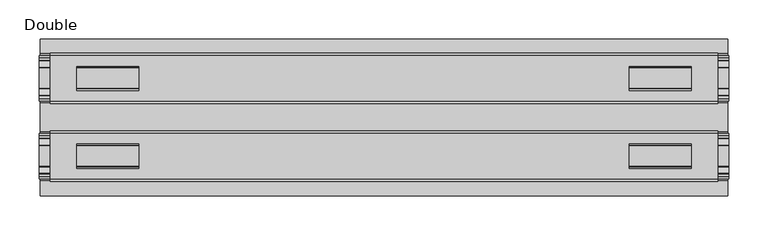
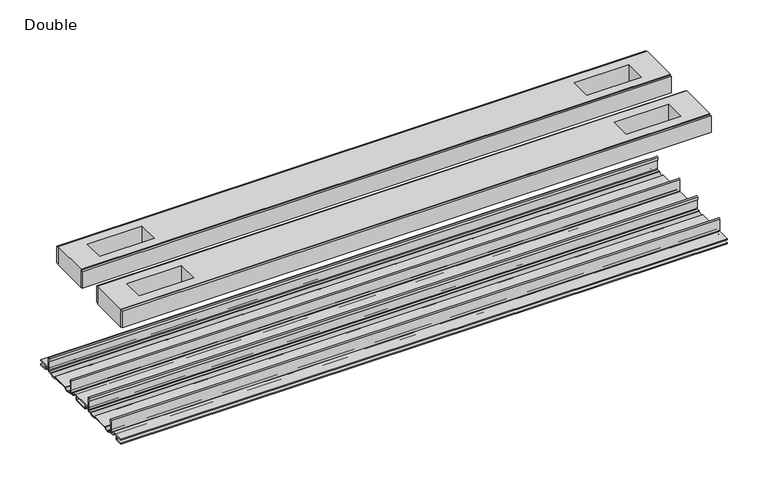
"""IFC4 building model written with IfcOpenShell, lengths in millimetres: proxy geometry, Double."""

from ifc_helpers import new_model, si_unit, point, frame, frame_2d, origin, place, context, project, spatial, polyline, circle_curve, trimmed, segment, composite_curve, outline, extrude, source, transform, mapped, element, save


def double_16775ed8(model_context):
    return source(origin(), model_context, "Body", "SweptSolid", [
        extrude(outline(composite_curve([segment(polyline([(-78.8225461, -7.7516037), (-78.8225461, 9.8607558)]), True, "CONTINUOUS"), segment(trimmed(circle_curve(frame_2d((-77.6033482, 9.8607558)), 1.2191979), [point((-78.8225461, 9.8607558))], [point((-76.3841503, 9.8607558))], False, "CARTESIAN"), True, "CONTINUOUS"), segment(polyline([(-76.3841503, 9.8607558), (-76.3841503, 5.9999563), (-77.6643269, 5.9999563), (-77.6643269, -7.7516037)]), True, "CONTINUOUS"), segment(trimmed(circle_curve(frame_2d((-76.6483061, -7.7516037)), 1.0160208), [point((-77.6643269, -7.7516037))], [point((-76.6548232, -8.7676036))], True, "CARTESIAN"), True, "CONTINUOUS"), segment(polyline([(-76.6548232, -8.7676036), (-72.7118726, -8.7676036), (-71.7985108, -8.968753)]), True, "CONTINUOUS"), segment(trimmed(circle_curve(frame_2d((-67.7735521, -6.1259382)), 4.9276657), [point((-71.7985108, -8.968753))], [point((-63.7485934, -8.968753))], True, "CARTESIAN"), True, "CONTINUOUS"), segment(polyline([(-63.7485934, -8.968753), (-62.8352226, -8.7676036), (-36.7962778, -8.7676036), (-35.8829069, -8.968753)]), True, "CONTINUOUS"), segment(trimmed(circle_curve(frame_2d((-31.8579482, -6.1259382)), 4.9276657), [point((-35.8829069, -8.968753))], [point((-27.8329895, -8.968753))], True, "CARTESIAN"), True, "CONTINUOUS"), segment(polyline([(-27.8329895, -8.968753), (-26.9196277, -8.7676036), (-22.9766772, -8.7676036)]), True, "CONTINUOUS"), segment(trimmed(circle_curve(frame_2d((-22.9831943, -7.7516037)), 1.0160208), [point((-22.9766772, -8.7676036))], [point((-21.9671735, -7.7516037))], True, "CARTESIAN"), True, "CONTINUOUS"), segment(polyline([(-21.9671735, -7.7516037), (-21.9671735, 5.9999563), (-23.2473501, 5.9999563), (-23.2473501, 9.8607558)]), True, "CONTINUOUS"), segment(trimmed(circle_curve(frame_2d((-22.0281522, 9.8607558)), 1.2191979), [point((-23.2473501, 9.8607558))], [point((-20.8089542, 9.8607558))], False, "CARTESIAN"), True, "CONTINUOUS"), segment(polyline([(-20.8089542, 9.8607558), (-20.8089542, -7.7516037)]), True, "CONTINUOUS"), segment(trimmed(circle_curve(frame_2d((-22.9831943, -7.7516037)), 2.17424), [point((-20.8089542, -7.7516037))], [point((-22.9831943, -9.9258438))], False, "CARTESIAN"), True, "CONTINUOUS"), segment(polyline([(-22.9831943, -9.9258438), (-27.274181, -9.9258438)]), True, "CONTINUOUS"), segment(trimmed(circle_curve(frame_2d((-31.8545955, -6.4800016)), 5.7318431), [point((-27.274181, -9.9258438))], [point((-36.43501, -9.9258438))], False, "CARTESIAN"), True, "CONTINUOUS"), segment(polyline([(-36.43501, -9.9258438), (-63.1964904, -9.9258438)]), True, "CONTINUOUS"), segment(trimmed(circle_curve(frame_2d((-67.7769049, -6.4800016)), 5.7318431), [point((-63.1964904, -9.9258438))], [point((-72.3573194, -9.9258438))], False, "CARTESIAN"), True, "CONTINUOUS"), segment(polyline([(-72.3573194, -9.9258438), (-76.6483061, -9.9258438)]), True, "CONTINUOUS"), segment(trimmed(circle_curve(frame_2d((-76.6483061, -7.7516037)), 2.17424), [point((-76.6483061, -9.9258438))], [point((-78.8225461, -7.7516037))], False, "CARTESIAN"), True, "CONTINUOUS")], self_intersect=False)), frame((-441.5715701, 0.0, 0.0), z_axis=(1.0, 0.0, 0.0), x_axis=(0.0, 1.0, 0.0)), (0.0, 0.0, 1.0), 883.1431403),
        extrude(outline(composite_curve([segment(trimmed(circle_curve(frame_2d((77.0293057, -7.7516037)), 2.17424), [point((79.2035458, -7.7516037))], [point((77.0293057, -9.9258438))], False, "CARTESIAN"), True, "CONTINUOUS"), segment(polyline([(77.0293057, -9.9258438), (72.738319, -9.9258438)]), True, "CONTINUOUS"), segment(trimmed(circle_curve(frame_2d((68.1579045, -6.4800016)), 5.7318431), [point((72.738319, -9.9258438))], [point((63.57749, -9.9258438))], False, "CARTESIAN"), True, "CONTINUOUS"), segment(polyline([(63.57749, -9.9258438), (36.8160096, -9.9258438)]), True, "CONTINUOUS"), segment(trimmed(circle_curve(frame_2d((32.2355951, -6.4800016)), 5.7318431), [point((36.8160096, -9.9258438))], [point((27.6551806, -9.9258438))], False, "CARTESIAN"), True, "CONTINUOUS"), segment(polyline([(27.6551806, -9.9258438), (23.3641939, -9.9258438)]), True, "CONTINUOUS"), segment(trimmed(circle_curve(frame_2d((23.3641939, -7.7516037)), 2.17424), [point((23.3641939, -9.9258438))], [point((21.1899539, -7.7516037))], False, "CARTESIAN"), True, "CONTINUOUS"), segment(polyline([(21.1899539, -7.7516037), (21.1899539, 9.8607558)]), True, "CONTINUOUS"), segment(trimmed(circle_curve(frame_2d((22.4091518, 9.8607558)), 1.2191979), [point((21.1899539, 9.8607558))], [point((23.6283497, 9.8607558))], False, "CARTESIAN"), True, "CONTINUOUS"), segment(polyline([(23.6283497, 9.8607558), (23.6283497, 5.9999563), (22.3481731, 5.9999563), (22.3481731, -7.7516037)]), True, "CONTINUOUS"), segment(trimmed(circle_curve(frame_2d((23.3641939, -7.7516037)), 1.0160208), [point((22.3481731, -7.7516037))], [point((23.3576768, -8.7676036))], True, "CARTESIAN"), True, "CONTINUOUS"), segment(polyline([(23.3576768, -8.7676036), (27.3006274, -8.7676036), (28.2139892, -8.968753)]), True, "CONTINUOUS"), segment(trimmed(circle_curve(frame_2d((32.2389479, -6.1259382)), 4.9276657), [point((28.2139892, -8.968753))], [point((36.2639066, -8.968753))], True, "CARTESIAN"), True, "CONTINUOUS"), segment(polyline([(36.2639066, -8.968753), (37.1772774, -8.7676036), (63.2162222, -8.7676036), (64.1295931, -8.968753)]), True, "CONTINUOUS"), segment(trimmed(circle_curve(frame_2d((68.1545518, -6.1259382)), 4.9276657), [point((64.1295931, -8.968753))], [point((72.1795105, -8.968753))], True, "CARTESIAN"), True, "CONTINUOUS"), segment(polyline([(72.1795105, -8.968753), (73.0928723, -8.7676036), (77.0358228, -8.7676036)]), True, "CONTINUOUS"), segment(trimmed(circle_curve(frame_2d((77.0293057, -7.7516037)), 1.0160208), [point((77.0358228, -8.7676036))], [point((78.0453265, -7.7516037))], True, "CARTESIAN"), True, "CONTINUOUS"), segment(polyline([(78.0453265, -7.7516037), (78.0453265, 5.9999563), (76.7651499, 5.9999563), (76.7651499, 9.8607558)]), True, "CONTINUOUS"), segment(trimmed(circle_curve(frame_2d((77.9843478, 9.8607558)), 1.2191979), [point((76.7651499, 9.8607558))], [point((79.2035458, 9.8607558))], False, "CARTESIAN"), True, "CONTINUOUS"), segment(polyline([(79.2035458, 9.8607558), (79.2035458, -7.7516037)]), True, "CONTINUOUS")], self_intersect=False)), frame((-441.5715701, 0.0, 0.0), z_axis=(1.0, 0.0, 0.0), x_axis=(0.0, 1.0, 0.0)), (0.0, 0.0, 1.0), 883.1431403),
        extrude(outline(polyline([(427.5126792, -78.8225461), (427.5126792, -81.9975522), (-427.5126792, -81.9975522), (-427.5126792, -78.8225461), (427.5126792, -78.8225461)])), frame((0.0, 0.0, 149.8401622), z_axis=(0.0, 0.0, 1.0), x_axis=(1.0, 0.0, 0.0)), (0.0, 0.0, 1.0), 25.3999939),
        extrude(outline(polyline([(427.5126792, -17.6339482), (427.5126792, -20.8089542), (-427.5126792, -20.8089542), (-427.5126792, -17.6339482), (427.5126792, -17.6339482)])), frame((0.0, 0.0, 149.8401622), z_axis=(0.0, 0.0, 1.0), x_axis=(1.0, 0.0, 0.0)), (0.0, 0.0, 1.0), 25.3999939),
        extrude(outline(polyline([(427.5126792, 21.1899493), (427.5126792, 18.0149501), (-427.5126792, 18.0149501), (-427.5126792, 21.1899493), (427.5126792, 21.1899493)])), frame((0.0, 0.0, 149.8401622), z_axis=(0.0, 0.0, 1.0), x_axis=(1.0, 0.0, 0.0)), (0.0, 0.0, 1.0), 25.3999939),
        extrude(outline(polyline([(427.5126792, 82.3785496), (427.5126792, 79.2035503), (-427.5126792, 79.2035503), (-427.5126792, 82.3785496), (427.5126792, 82.3785496)])), frame((0.0, 0.0, 149.8401622), z_axis=(0.0, 0.0, 1.0), x_axis=(1.0, 0.0, 0.0)), (0.0, 0.0, 1.0), 25.3999939),
        extrude(outline(polyline([(427.5126792, 79.2035503), (427.5126792, 21.1899493), (-427.5126792, 21.1899493), (-427.5126792, 79.2035503), (427.5126792, 79.2035503)]), holes=[polyline([(393.0956666, 65.3097536), (314.0508548, 65.3097536), (314.0508548, 34.3217468), (393.0956666, 34.3217468), (393.0956666, 65.3097536)]), polyline([(-393.0956666, 65.3097536), (-393.0956666, 34.3217468), (-314.0508548, 34.3217468), (-314.0508548, 65.3097536), (-393.0956666, 65.3097536)])]), frame((0.0, 0.0, 148.4185847), z_axis=(0.0, 0.0, 1.0), x_axis=(1.0, 0.0, 0.0)), (0.0, 0.0, 1.0), 27.9999988),
        extrude(outline(polyline([(427.5126792, -78.8225461), (-427.5126792, -78.8225461), (-427.5126792, -20.8224524), (427.5126792, -20.8224524), (427.5126792, -78.8225461)]), holes=[polyline([(393.0956666, -65.3097536), (393.0956666, -34.3217468), (314.0508548, -34.3217468), (314.0508548, -65.3097536), (393.0956666, -65.3097536)]), polyline([(-393.0956666, -65.3097536), (-314.0508548, -65.3097536), (-314.0508548, -34.3217468), (-393.0956666, -34.3217468), (-393.0956666, -65.3097536)])]), frame((0.0, 0.0, 148.4185847), z_axis=(0.0, 0.0, 1.0), x_axis=(1.0, 0.0, 0.0)), (0.0, 0.0, 1.0), 27.9999988),
        extrude(outline(composite_curve([segment(polyline([(-100.2730922, -13.9898438), (-100.2302711, -12.3388438), (-89.7890007, -12.3388438), (-89.7890007, -7.766844), (-100.2302711, -7.766844), (-100.2730922, -6.1158439), (-81.1847475, -6.1158439)]), True, "CONTINUOUS"), segment(trimmed(circle_curve(frame_2d((-81.1847475, -7.6398436)), 1.5239997), [point((-81.1847475, -6.1158439))], [point((-79.6607478, -7.6398436))], False, "CARTESIAN"), True, "CONTINUOUS"), segment(polyline([(-79.6607478, -7.6398436), (-79.6607478, -9.9258438), (-73.1120844, -9.9258438)]), True, "CONTINUOUS"), segment(trimmed(circle_curve(frame_2d((-67.7735521, -5.2268471)), 7.1119966), [point((-73.1120844, -9.9258438))], [point((-62.4350199, -9.9258438))], True, "CARTESIAN"), True, "CONTINUOUS"), segment(polyline([(-62.4350199, -9.9258438), (-37.1964805, -9.9258438)]), True, "CONTINUOUS"), segment(trimmed(circle_curve(frame_2d((-31.8579482, -5.2268471)), 7.1119966), [point((-37.1964805, -9.9258438))], [point((-26.519416, -9.9258438))], True, "CARTESIAN"), True, "CONTINUOUS"), segment(polyline([(-26.519416, -9.9258438), (-19.9707525, -9.9258438), (-19.9707525, -7.7656583)]), True, "CONTINUOUS"), segment(trimmed(circle_curve(frame_2d((-18.3197518, -7.7656583)), 1.6510007), [point((-19.9707525, -7.7656583))], [point((-18.3823282, -6.1158439))], False, "CARTESIAN"), True, "CONTINUOUS"), segment(polyline([(-18.3823282, -6.1158439), (18.7633278, -6.1158439)]), True, "CONTINUOUS"), segment(trimmed(circle_curve(frame_2d((18.7007515, -7.7656583)), 1.6510007), [point((18.7633278, -6.1158439))], [point((20.3517522, -7.7656583))], False, "CARTESIAN"), True, "CONTINUOUS"), segment(polyline([(20.3517522, -7.7656583), (20.3517522, -9.9258438), (26.9004156, -9.9258438)]), True, "CONTINUOUS"), segment(trimmed(circle_curve(frame_2d((32.2389479, -5.2268471)), 7.1119966), [point((26.9004156, -9.9258438))], [point((37.5774801, -9.9258438))], True, "CARTESIAN"), True, "CONTINUOUS"), segment(polyline([(37.5774801, -9.9258438), (62.8160195, -9.9258438)]), True, "CONTINUOUS"), segment(trimmed(circle_curve(frame_2d((68.1545518, -5.2268471)), 7.1119966), [point((62.8160195, -9.9258438))], [point((73.493084, -9.9258438))], True, "CARTESIAN"), True, "CONTINUOUS"), segment(polyline([(73.493084, -9.9258438), (80.0417475, -9.9258438), (80.0417475, -7.7656583)]), True, "CONTINUOUS"), segment(trimmed(circle_curve(frame_2d((81.6927482, -7.7656583)), 1.6510007), [point((80.0417475, -7.7656583))], [point((81.6301718, -6.1158439))], False, "CARTESIAN"), True, "CONTINUOUS"), segment(polyline([(81.6301718, -6.1158439), (100.6540918, -6.1158439), (100.6112708, -7.766844), (90.1700003, -7.766844), (90.1700003, -12.3388438), (100.6112708, -12.3388438), (100.6540918, -13.9898438), (90.0430018, -13.9898438)]), True, "CONTINUOUS"), segment(trimmed(circle_curve(frame_2d((90.0430018, -12.4658438)), 1.524), [point((90.0430018, -13.9898438))], [point((88.5190019, -12.4658438))], False, "CARTESIAN"), True, "CONTINUOUS"), segment(polyline([(88.5190019, -12.4658438), (88.5190019, -7.766844), (81.692747, -7.766844), (81.692747, -10.0528438)]), True, "CONTINUOUS"), segment(trimmed(circle_curve(frame_2d((80.1687471, -10.0528438)), 1.524), [point((81.692747, -10.0528438))], [point((80.1687471, -11.5768438))], False, "CARTESIAN"), True, "CONTINUOUS"), segment(polyline([(80.1687471, -11.5768438), (73.6626049, -11.5768438)]), True, "CONTINUOUS"), segment(trimmed(circle_curve(frame_2d((68.1545518, -6.4968436)), 7.4930002), [point((73.6626049, -11.5768438))], [point((62.8967468, -11.8354331))], False, "CARTESIAN"), True, "CONTINUOUS"), segment(polyline([(62.8967468, -11.8354331), (37.4967528, -11.8354331)]), True, "CONTINUOUS"), segment(trimmed(circle_curve(frame_2d((32.2389479, -6.4968436)), 7.4930002), [point((37.4967528, -11.8354331))], [point((26.7308947, -11.5768438))], False, "CARTESIAN"), True, "CONTINUOUS"), segment(polyline([(26.7308947, -11.5768438), (20.2247526, -11.5768438)]), True, "CONTINUOUS"), segment(trimmed(circle_curve(frame_2d((20.2247526, -10.0528438)), 1.524), [point((20.2247526, -11.5768438))], [point((18.7007526, -10.0528438))], False, "CARTESIAN"), True, "CONTINUOUS"), segment(polyline([(18.7007526, -10.0528438), (18.7007526, -7.766844), (11.8744978, -7.766844), (11.8744978, -12.4658438)]), True, "CONTINUOUS"), segment(trimmed(circle_curve(frame_2d((10.3504978, -12.4658438)), 1.524), [point((11.8744978, -12.4658438))], [point((10.3504978, -13.9898438))], False, "CARTESIAN"), True, "CONTINUOUS"), segment(polyline([(10.3504978, -13.9898438), (-9.9694982, -13.9898438)]), True, "CONTINUOUS"), segment(trimmed(circle_curve(frame_2d((-9.9694982, -12.4658438)), 1.524), [point((-9.9694982, -13.9898438))], [point((-11.4934981, -12.4658438))], False, "CARTESIAN"), True, "CONTINUOUS"), segment(polyline([(-11.4934981, -12.4658438), (-11.4934981, -7.766844), (-18.319753, -7.766844), (-18.319753, -10.0528438)]), True, "CONTINUOUS"), segment(trimmed(circle_curve(frame_2d((-19.8437529, -10.0528438)), 1.524), [point((-18.319753, -10.0528438))], [point((-19.8437529, -11.5768438))], False, "CARTESIAN"), True, "CONTINUOUS"), segment(polyline([(-19.8437529, -11.5768438), (-26.3498951, -11.5768438)]), True, "CONTINUOUS"), segment(trimmed(circle_curve(frame_2d((-31.8579482, -6.4968436)), 7.4930002), [point((-26.3498951, -11.5768438))], [point((-37.1157532, -11.8354331))], False, "CARTESIAN"), True, "CONTINUOUS"), segment(polyline([(-37.1157532, -11.8354331), (-62.5157472, -11.8354331)]), True, "CONTINUOUS"), segment(trimmed(circle_curve(frame_2d((-67.7735521, -6.4968436)), 7.4930002), [point((-62.5157472, -11.8354331))], [point((-73.2816053, -11.5768438))], False, "CARTESIAN"), True, "CONTINUOUS"), segment(polyline([(-73.2816053, -11.5768438), (-79.7877474, -11.5768438)]), True, "CONTINUOUS"), segment(trimmed(circle_curve(frame_2d((-79.7877474, -10.0528438)), 1.524), [point((-79.7877474, -11.5768438))], [point((-81.3117474, -10.0528438))], False, "CARTESIAN"), True, "CONTINUOUS"), segment(polyline([(-81.3117474, -10.0528438), (-81.3117474, -7.766844), (-88.1380022, -7.766844), (-88.1380022, -12.4658438)]), True, "CONTINUOUS"), segment(trimmed(circle_curve(frame_2d((-89.6620022, -12.4658438)), 1.524), [point((-88.1380022, -12.4658438))], [point((-89.6620022, -13.9898438))], False, "CARTESIAN"), True, "CONTINUOUS"), segment(polyline([(-89.6620022, -13.9898438), (-100.2730922, -13.9898438)]), True, "CONTINUOUS")], self_intersect=False), holes=[polyline([(-9.8424997, -12.3388438), (10.2234993, -12.3388438), (10.2234993, -7.766844), (-9.8424997, -7.766844), (-9.8424997, -12.3388438)])]), frame((-439.9205701, 0.0, 0.0), z_axis=(1.0, 0.0, 0.0), x_axis=(0.0, 1.0, 0.0)), (0.0, 0.0, 1.0), 879.8411403),
    ])


if __name__ == "__main__":
    model = new_model("IFC4")
    model_context = context("Model", 3, world=origin())
    ifc_project = project(units=[si_unit("LENGTHUNIT", "METRE", prefix="MILLI")], contexts=[model_context])
    site = spatial("IfcSite", under=ifc_project)
    building = spatial("IfcBuilding", under=site)
    placement = place(None, origin())
    double_shape = double_16775ed8(model_context)
    element("IfcBuildingElementProxy", 1, Name="Double", ObjectType="Double", at=placement, inside=building, context=model_context, shape_type="MappedRepresentation", body=[
        mapped(double_shape, transform((0.0, 0.0, 0.0), x_axis=(1.0, 0.0, 0.0), y_axis=(0.0, 1.0, 0.0), z_axis=(0.0, 0.0, 1.0))),
    ])
    save(model, "model.ifc")
